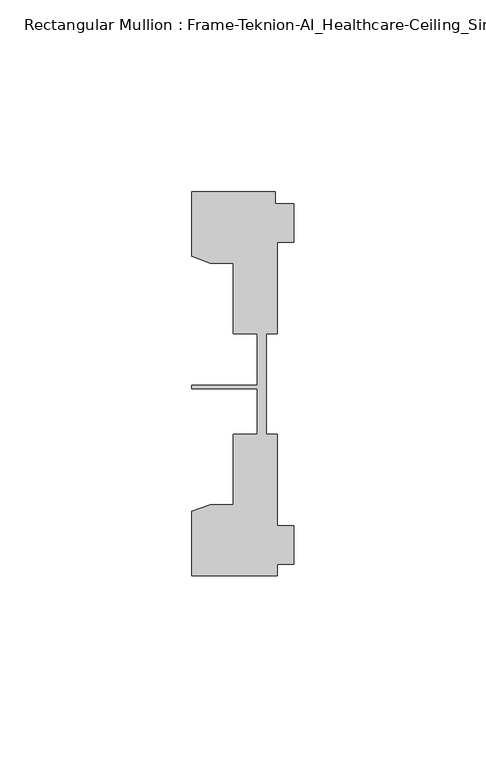
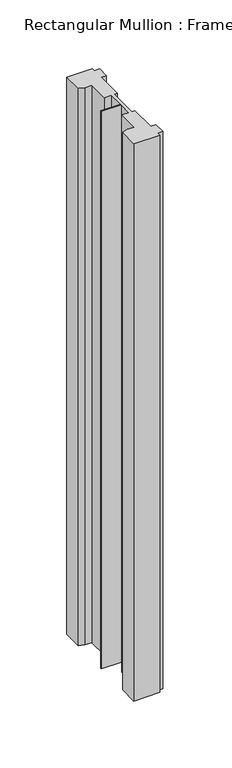
"""IFC4 building model written with IfcOpenShell, lengths in millimetres: member geometry, Rectangular Mullion : Frame-Teknion-AI_Healthcare-Ceiling_Single_Channel."""

from ifc_helpers import new_model, si_unit, frame, origin, place, context, project, spatial, polyline, outline, extrude, source, transform, mapped, element, save


def rectangular_mullion_frame_teknion_ai_healthcare_ceiling_6c8f1d6e(model_context):
    return source(origin(), model_context, "Body", "SweptSolid", [
        extrude(outline(polyline([(-26.4921999, 34.0201677), (-26.4921999, 50.8315128), (-4.7752002, 50.8315128), (-4.7752002, 47.782071), (0.0, 47.782071), (0.0, 37.7820716), (-4.2672007, 37.7820716), (-4.2672007, 13.9110722), (-7.1647766, 13.9110722), (-7.1647766, 0.0814804), (-7.1647766, -12.2509301), (-4.2672007, -12.2509301), (-4.2672007, -36.1219249), (0.0, -36.1219249), (0.0, -46.1219322), (-4.2672007, -46.1219322), (-4.2672007, -49.1699293), (-26.4921999, -49.1699293), (-26.4921999, -32.3600207), (-21.6625199, -30.6279561), (-15.6737764, -30.6279561), (-15.6737764, -12.2509301), (-9.4507761, -12.2509301), (-9.4507761, -0.4036528), (-26.4921999, -0.4036528), (-26.4921999, 0.4036528), (-9.4507761, 0.4036528), (-9.4507761, 13.9110722), (-15.6737764, 13.9110722), (-15.6737764, 32.2880982), (-21.6625199, 32.2880982), (-26.4921999, 34.0201677)])), frame((0.0, 0.0, -508.0), z_axis=(0.0, 0.0, 1.0), x_axis=(1.0, 0.0, 0.0)), (0.0, 0.0, 1.0), 508.0),
    ])


if __name__ == "__main__":
    model = new_model("IFC4")
    model_context = context("Model", 3, world=origin())
    ifc_project = project(units=[si_unit("LENGTHUNIT", "METRE", prefix="MILLI")], contexts=[model_context])
    site = spatial("IfcSite", under=ifc_project)
    building = spatial("IfcBuilding", under=site)
    placement = place(None, origin())
    rectangular_mullion_frame_teknion_ai_healthcare_ceiling_shape = rectangular_mullion_frame_teknion_ai_healthcare_ceiling_6c8f1d6e(model_context)
    element("IfcMember", 1, ObjectType="Rectangular Mullion : Frame-Teknion-AI_Healthcare-Ceiling_Single_Channel", at=placement, inside=building, context=model_context, shape_type="MappedRepresentation", body=[
        mapped(rectangular_mullion_frame_teknion_ai_healthcare_ceiling_shape, transform((0.0, 0.0, 0.0), x_axis=(1.0, 0.0, 0.0), y_axis=(0.0, 1.0, 0.0), z_axis=(0.0, 0.0, 1.0))),
    ])
    save(model, "model.ifc")
